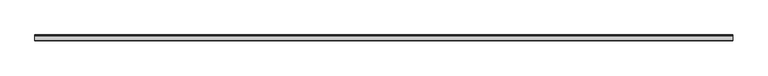
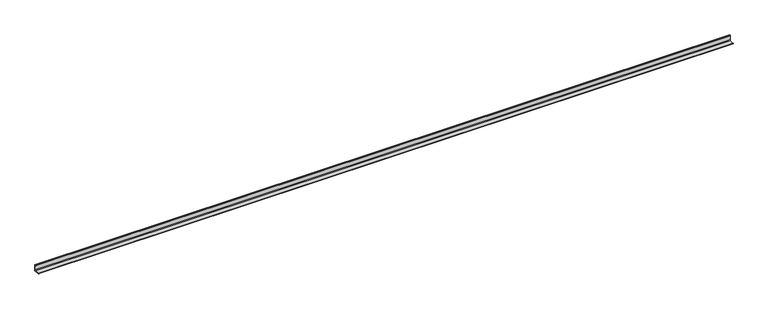
"""IFC4 building model written with IfcOpenShell, lengths in millimetres: beam geometry."""

import ifcopenshell
import ifcopenshell.guid

model = None  # the IFC model being written
_history = None  # IfcOwnerHistory: only IFC2X3 demands one
_inside = {}  # id of a spatial element -> (the spatial element, [elements in it])
_under = {}  # id of a project, library or spatial element -> (it, [spatial elements below it])
_declared = {}  # id of a project -> (the project, [libraries it declares])
_typed = {}  # id of a type object -> (the type object, [elements of that type])
_made_of = {}  # id of a material, layer set ... -> (it, [elements and type objects made of it])


def new_model(schema):
    """Start an empty IFC model of exactly this schema.

    Asked for "IFC4X3", IfcOpenShell would pick the latest addendum, in which some entities
    have other attributes; the version numbers below select the first issue.
    IFC2X3 requires an IfcOwnerHistory on every rooted entity: one is made here for all.
    """
    global model, _history
    if schema == "IFC4X3":
        model = ifcopenshell.file(schema_version=(4, 3, 0, 0))
    else:
        model = ifcopenshell.file(schema=schema)
    _inside.clear()
    _under.clear()
    _declared.clear()
    _typed.clear()
    _made_of.clear()
    _history = None
    if model.schema == "IFC2X3":
        org = make("IfcOrganization", Name="unknown")
        user = make(
            "IfcPersonAndOrganization",
            ThePerson=make("IfcPerson", FamilyName="unknown"),
            TheOrganization=org,
        )
        app = make(
            "IfcApplication",
            ApplicationDeveloper=org,
            Version="unknown",
            ApplicationFullName="unknown",
            ApplicationIdentifier="unknown",
        )
        _history = make(
            "IfcOwnerHistory",
            OwningUser=user,
            OwningApplication=app,
            ChangeAction="ADDED",
            CreationDate=0,
        )
    return model


def make(cls, **values):
    """One entity of the class cls with the attributes given. An attribute that is None is left unset."""
    return model.create_entity(
        cls, **{name: value for name, value in values.items() if value is not None}
    )


def rooted(cls, **values):
    """An entity with a GlobalId (a new one), such as an element, a storey or a relation."""
    return make(cls, GlobalId=ifcopenshell.guid.new(), OwnerHistory=_history, **values)


def si_unit(unit_type, name, prefix=None):
    """IfcSIUnit, for example si_unit("LENGTHUNIT", "METRE", prefix="MILLI")."""
    return make("IfcSIUnit", UnitType=unit_type, Prefix=prefix, Name=name)


def assignment(units):
    """IfcUnitAssignment: the units of a project."""
    return None if units is None else make("IfcUnitAssignment", Units=units)


def point(xyz):
    """IfcCartesianPoint."""
    return None if xyz is None else make("IfcCartesianPoint", Coordinates=xyz)


def direction(xyz):
    """IfcDirection."""
    return None if xyz is None else make("IfcDirection", DirectionRatios=xyz)


def frame(location, z_axis=None, x_axis=None):
    """IfcAxis2Placement3D, a coordinate frame: its origin and axes. An axis left out is left unset."""
    return make(
        "IfcAxis2Placement3D",
        Location=point(location),
        Axis=direction(z_axis),
        RefDirection=direction(x_axis),
    )


def frame_2d(location, x_axis=None):
    """IfcAxis2Placement2D, a coordinate frame in the plane: its origin and x axis."""
    return make(
        "IfcAxis2Placement2D", Location=point(location), RefDirection=direction(x_axis)
    )


def origin():
    """The frame at (0, 0, 0) with its axes left unset."""
    return frame((0.0, 0.0, 0.0))


def place(relative_to, where):
    """IfcLocalPlacement: puts the frame where relative to a parent placement (None: the world)."""
    return make(
        "IfcLocalPlacement", PlacementRelTo=relative_to, RelativePlacement=where
    )


def context(
    kind, dimensions, precision=None, world=None, true_north=None, identifier=None
):
    """IfcGeometricRepresentationContext, for example the 3D "Model" context."""
    return make(
        "IfcGeometricRepresentationContext",
        ContextIdentifier=identifier,
        ContextType=kind,
        CoordinateSpaceDimension=dimensions,
        Precision=precision,
        WorldCoordinateSystem=world,
        TrueNorth=true_north,
    )


def project(units=None, contexts=None):
    """IfcProject with its units and contexts."""
    return rooted(
        "IfcProject",
        Name="project",
        RepresentationContexts=contexts,
        UnitsInContext=assignment(units),
    )


def spatial(cls, under=None, at=None, **own):
    """A site, building, storey or space (cls), placed at a placement, below another one or the project."""
    s = rooted(cls, ObjectPlacement=at, **own)
    if under is not None:
        _under.setdefault(under.id(), (under, []))[1].append(s)
    return s


def polyline(points):
    """IfcPolyline through the points."""
    return make("IfcPolyline", Points=[point(p) for p in points])


def circle_curve(where, radius):
    """IfcCircle in the frame where."""
    return make("IfcCircle", Position=where, Radius=radius)


def trimmed(basis, trim1, trim2, sense, master):
    """IfcTrimmedCurve: the piece of a basis curve between two trims."""
    return make(
        "IfcTrimmedCurve",
        BasisCurve=basis,
        Trim1=trim1,
        Trim2=trim2,
        SenseAgreement=sense,
        MasterRepresentation=master,
    )


def segment(curve, same_sense, transition):
    """IfcCompositeCurveSegment."""
    return make(
        "IfcCompositeCurveSegment",
        Transition=transition,
        SameSense=same_sense,
        ParentCurve=curve,
    )


def composite_curve(segments, self_intersect=None):
    """IfcCompositeCurve: segments joined end to end."""
    return make("IfcCompositeCurve", Segments=segments, SelfIntersect=self_intersect)


def outline(outer, holes=None, kind="AREA"):
    """IfcArbitraryClosedProfileDef: a profile drawn as a closed curve; with holes, ...WithVoids."""
    if holes is None:
        return make("IfcArbitraryClosedProfileDef", ProfileType=kind, OuterCurve=outer)
    return make(
        "IfcArbitraryProfileDefWithVoids",
        ProfileType=kind,
        OuterCurve=outer,
        InnerCurves=holes,
    )


def extrude(swept, where, along, depth):
    """IfcExtrudedAreaSolid: the profile swept, set in the frame where, extruded along a direction by depth."""
    return make(
        "IfcExtrudedAreaSolid",
        SweptArea=swept,
        Position=where,
        ExtrudedDirection=direction(along),
        Depth=depth,
    )


def shape(context_of_items, identifier, shape_type, items):
    """IfcShapeRepresentation: the items that make up one representation, for example the "Body"."""
    return make(
        "IfcShapeRepresentation",
        ContextOfItems=context_of_items,
        RepresentationIdentifier=identifier,
        RepresentationType=shape_type,
        Items=items,
    )


def source(mapping_origin, context_of_items, identifier, shape_type, items):
    """IfcRepresentationMap: a shape defined once, which mapped items show again and again."""
    return make(
        "IfcRepresentationMap",
        MappingOrigin=mapping_origin,
        MappedRepresentation=shape(context_of_items, identifier, shape_type, items),
    )


def transform(
    local_origin,
    x_axis=None,
    y_axis=None,
    z_axis=None,
    scale=None,
    scale2=None,
    scale3=None,
    uniform=True,
):
    """IfcCartesianTransformationOperator3D, or its non-uniform kind. x_axis, y_axis, z_axis: its Axis1, 2, 3."""
    if uniform:
        return make(
            "IfcCartesianTransformationOperator3D",
            Axis1=direction(x_axis),
            Axis2=direction(y_axis),
            LocalOrigin=point(local_origin),
            Scale=scale,
            Axis3=direction(z_axis),
        )
    return make(
        "IfcCartesianTransformationOperator3DnonUniform",
        Axis1=direction(x_axis),
        Axis2=direction(y_axis),
        LocalOrigin=point(local_origin),
        Scale=scale,
        Axis3=direction(z_axis),
        Scale2=scale2,
        Scale3=scale3,
    )


def mapped(mapping_source, mapping_target):
    """IfcMappedItem: shows the shape of a source again, moved by a transform."""
    return make(
        "IfcMappedItem", MappingSource=mapping_source, MappingTarget=mapping_target
    )


def made_of(thing, what):
    """Note that an element or type object is made of a material, layer set ...; save() writes the relation."""
    if what is not None:
        _made_of.setdefault(what.id(), (what, []))[1].append(thing)
    return thing


def element(
    cls,
    number,
    at=None,
    inside=None,
    cuts=None,
    type_object=None,
    material=None,
    context=None,
    identifier="Body",
    shape_type=None,
    held_by="IfcProductDefinitionShape",
    body=None,
    shapes=None,
    **own,
):
    """One element of the class cls, such as IfcWall. Its Tag is "e" and its number.

    at: its placement. inside: the storey or other place that contains it. cuts: it is an
    opening in that element (IfcRelVoidsElement). A single representation is given by context,
    identifier, shape_type and body (its items); several are given by shapes. held_by: the class
    of the entity that holds the representations. save() writes the other relations.
    """
    e = rooted(cls, Tag="e%d" % number, ObjectPlacement=at, **own)
    if body is not None:
        shapes = [shape(context, identifier, shape_type, body)]
    if shapes is not None:
        e.Representation = make(held_by, Representations=shapes)
    if inside is not None:
        _inside.setdefault(inside.id(), (inside, []))[1].append(e)
    if cuts is not None:
        rooted(
            "IfcRelVoidsElement", RelatingBuildingElement=cuts, RelatedOpeningElement=e
        )
    if type_object is not None:
        _typed.setdefault(type_object.id(), (type_object, []))[1].append(e)
    return made_of(e, material)


def aggregate(whole, parts):
    """IfcRelAggregates: a whole, such as a stair, and the parts it consists of."""
    return rooted("IfcRelAggregates", RelatingObject=whole, RelatedObjects=parts)


def save(model, path):
    """Write the relations noted so far, then the file.

    IfcRelAggregates (storeys below a building ...), IfcRelContainedInSpatialStructure (elements
    in a storey), IfcRelDefinesByType, IfcRelAssociatesMaterial and IfcRelDeclares: one each for
    every whole, place, type object, material and project.
    """
    for whole, parts in _under.values():
        aggregate(whole, parts)
    for where, things in _inside.values():
        rooted(
            "IfcRelContainedInSpatialStructure",
            RelatedElements=things,
            RelatingStructure=where,
        )
    for kind, things in _typed.values():
        rooted("IfcRelDefinesByType", RelatedObjects=things, RelatingType=kind)
    for what, things in _made_of.values():
        rooted("IfcRelAssociatesMaterial", RelatedObjects=things, RelatingMaterial=what)
    for by, libraries in _declared.values():
        rooted("IfcRelDeclares", RelatingContext=by, RelatedDefinitions=libraries)
    model.write(path)


def beam_5d1e0e27(model_context):
    return source(origin(), model_context, "Body", "SweptSolid", [
        extrude(outline(composite_curve([segment(polyline([(21.3, -21.3), (-53.7, -21.3), (-53.7, -18.3)]), True, "CONTINUOUS"), segment(trimmed(circle_curve(frame_2d((-48.7, -18.3)), 5.0), [point((-53.7, -18.3))], [point((-48.7, -13.3))], False, "CARTESIAN"), True, "CONTINUOUS"), segment(polyline([(-48.7, -13.3), (5.3, -13.3)]), True, "CONTINUOUS"), segment(trimmed(circle_curve(frame_2d((5.3, -5.3)), 8.0), [point((5.3, -13.3))], [point((13.3, -5.3))], True, "CARTESIAN"), True, "CONTINUOUS"), segment(polyline([(13.3, -5.3), (13.3, 48.7)]), True, "CONTINUOUS"), segment(trimmed(circle_curve(frame_2d((18.3, 48.7)), 5.0), [point((13.3, 48.7))], [point((18.3, 53.7))], False, "CARTESIAN"), True, "CONTINUOUS"), segment(polyline([(18.3, 53.7), (21.3, 53.7), (21.3, -21.3)]), True, "CONTINUOUS")], self_intersect=False)), frame((-4390.5, 0.0, 0.0), z_axis=(1.0, 0.0, 0.0), x_axis=(0.0, 1.0, 0.0)), (0.0, 0.0, 1.0), 8851.0),
    ])


if __name__ == "__main__":
    model = new_model("IFC4")
    model_context = context("Model", 3, world=origin())
    ifc_project = project(units=[si_unit("LENGTHUNIT", "METRE", prefix="MILLI")], contexts=[model_context])
    site = spatial("IfcSite", under=ifc_project)
    building = spatial("IfcBuilding", under=site)
    placement = place(None, origin())
    beam_shape = beam_5d1e0e27(model_context)
    element("IfcBeam", 1, at=placement, inside=building, context=model_context, shape_type="MappedRepresentation", body=[
        mapped(beam_shape, transform((0.0, 0.0, 0.0), x_axis=(1.0, 0.0, 0.0), y_axis=(0.0, 1.0, 0.0), z_axis=(0.0, 0.0, 1.0))),
    ])
    save(model, "model.ifc")
